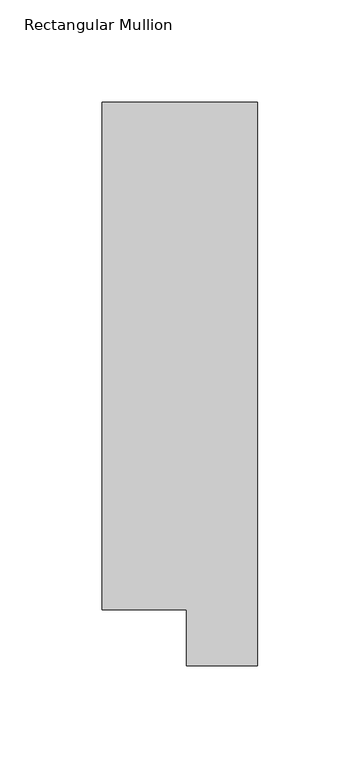
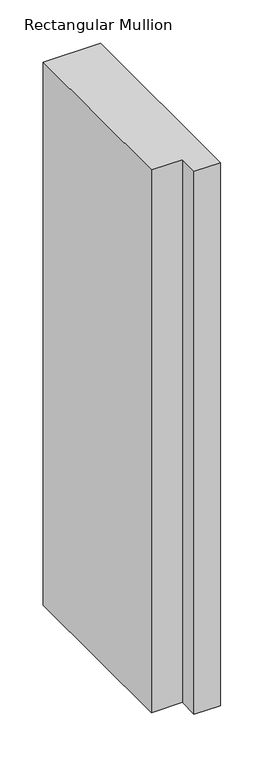
"""IFC4 building model written with IfcOpenShell, lengths in millimetres: member geometry, Rectangular Mullion."""

from ifc_helpers import new_model, si_unit, frame, origin, place, context, project, spatial, polyline, outline, extrude, source, transform, mapped, element, save


def rectangular_mullion_69649fd3(model_context):
    return source(origin(), model_context, "Body", "SweptSolid", [
        extrude(outline(polyline([(0.0, 295.1821312), (0.0, 19.5667313), (-34.9123, 19.5667313), (-34.9123, 46.7447302), (-76.2, 46.7447302), (-76.2, 295.1821312), (0.0, 295.1821312)])), frame((0.0, 0.0, -762.0), z_axis=(0.0, 0.0, 1.0), x_axis=(1.0, 0.0, 0.0)), (0.0, 0.0, 1.0), 762.0),
    ])


if __name__ == "__main__":
    model = new_model("IFC4")
    model_context = context("Model", 3, world=origin())
    ifc_project = project(units=[si_unit("LENGTHUNIT", "METRE", prefix="MILLI")], contexts=[model_context])
    site = spatial("IfcSite", under=ifc_project)
    building = spatial("IfcBuilding", under=site)
    placement = place(None, origin())
    rectangular_mullion_shape = rectangular_mullion_69649fd3(model_context)
    element("IfcMember", 1, ObjectType="Rectangular Mullion", at=placement, inside=building, context=model_context, shape_type="MappedRepresentation", body=[
        mapped(rectangular_mullion_shape, transform((0.0, 0.0, 0.0), x_axis=(1.0, 0.0, 0.0), y_axis=(0.0, 1.0, 0.0), z_axis=(0.0, 0.0, 1.0))),
    ])
    save(model, "model.ifc")
